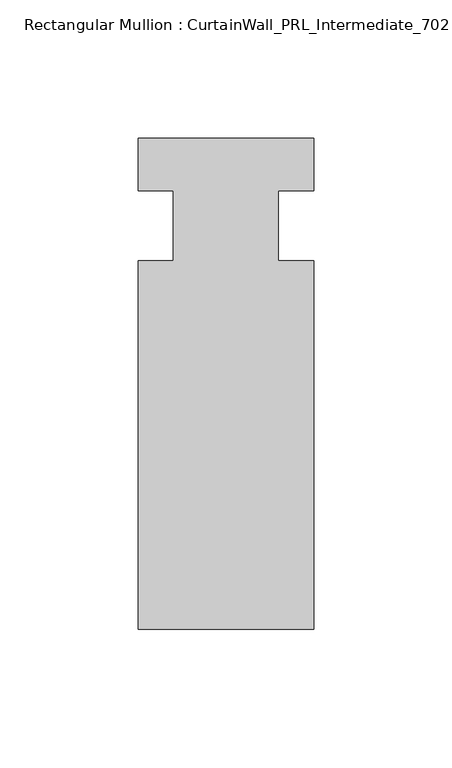
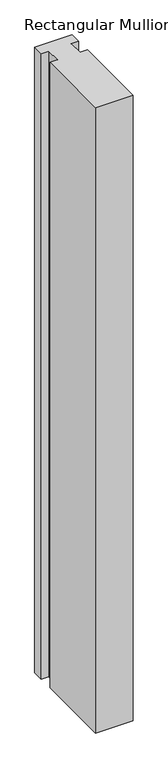
"""IFC4 building model written with IfcOpenShell, lengths in millimetres: member geometry, Rectangular Mullion : CurtainWall_PRL_Intermediate_702."""

from ifc_helpers import new_model, si_unit, frame, origin, place, context, project, spatial, polyline, outline, extrude, source, transform, mapped, element, save


def rectangular_mullion_curtainwall_prl_intermediate_702_ac4ca67b(model_context):
    return source(origin(), model_context, "Body", "SweptSolid", [
        extrude(outline(polyline([(-19.05, -12.7), (-19.05, 12.7), (-31.75, 12.7), (-31.75, 31.75), (31.75, 31.75), (31.75, 12.7), (19.05, 12.7), (19.05, -12.7), (31.75, -12.7), (31.75, -146.05), (-31.75, -146.05), (-31.75, -12.7), (-19.05, -12.7)])), frame((0.0, 0.0, -1117.6), z_axis=(0.0, 0.0, 1.0), x_axis=(1.0, 0.0, 0.0)), (0.0, 0.0, 1.0), 1117.6),
    ])


if __name__ == "__main__":
    model = new_model("IFC4")
    model_context = context("Model", 3, world=origin())
    ifc_project = project(units=[si_unit("LENGTHUNIT", "METRE", prefix="MILLI")], contexts=[model_context])
    site = spatial("IfcSite", under=ifc_project)
    building = spatial("IfcBuilding", under=site)
    placement = place(None, origin())
    rectangular_mullion_curtainwall_prl_intermediate_702_shape = rectangular_mullion_curtainwall_prl_intermediate_702_ac4ca67b(model_context)
    element("IfcMember", 1, ObjectType="Rectangular Mullion : CurtainWall_PRL_Intermediate_702", at=placement, inside=building, context=model_context, shape_type="MappedRepresentation", body=[
        mapped(rectangular_mullion_curtainwall_prl_intermediate_702_shape, transform((0.0, 0.0, 0.0), x_axis=(1.0, 0.0, 0.0), y_axis=(0.0, 1.0, 0.0), z_axis=(0.0, 0.0, 1.0))),
    ])
    save(model, "model.ifc")
